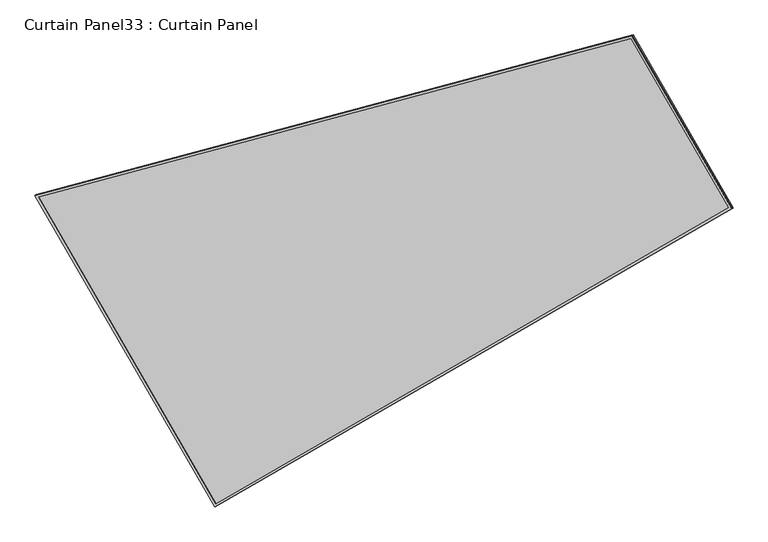
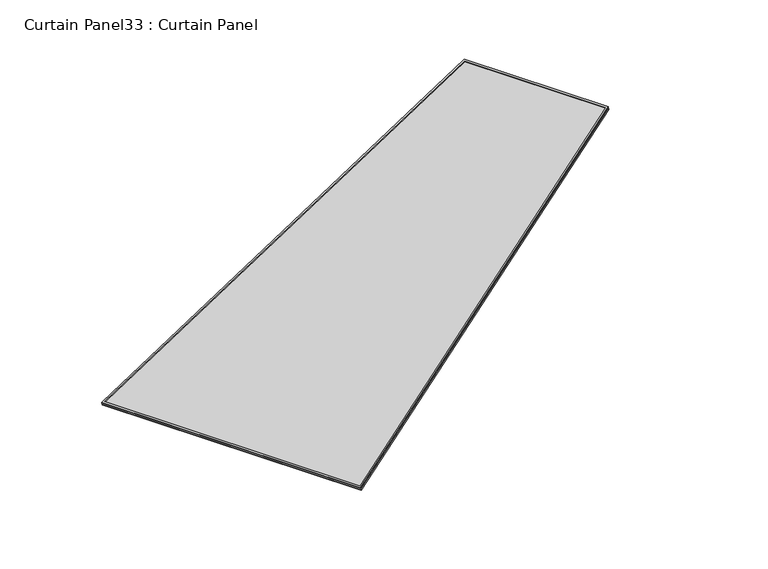
"""IFC4 building model written with IfcOpenShell, lengths in millimetres: plate geometry, Curtain Panel33 : Curtain Panel."""

from ifc_helpers import new_model, si_unit, frame, origin, place, context, project, spatial, polyline, outline, extrude, source, transform, mapped, element, save


def curtain_panel33_curtain_panel_60583c31(model_context):
    return source(origin(), model_context, "Body", "SweptSolid", [
        extrude(outline(polyline([(903.4000632, -2842.2762639), (0.0, -2842.2762639), (0.0, 0.0), (1625.924429, 0.0), (903.4000632, -2842.2762639)]), holes=[polyline([(1611.6336331, -11.1124999), (11.1125, -11.1125), (11.1125, -2831.1637639), (894.759001, -2831.1637639), (1611.6336331, -11.1124999)])]), frame((3727.297446, -2597.5109041, -9.1531527), z_axis=(-0.27379031486168043, -0.15807291198690118, 0.9487106081329141), x_axis=(-0.4999999999999943, 0.8660254037844419, 0.0)), (0.0, 0.0, 1.0), 4.8426059),
        extrude(outline(polyline([(903.4000632, -2842.276264), (0.0, -2842.276264), (0.0, 0.0), (1625.924429, 0.0), (903.4000632, -2842.276264)]), holes=[polyline([(1611.6336331, -11.1124999), (11.1125001, -11.1125), (11.1125001, -2831.163764), (894.759001, -2831.163764), (1611.6336331, -11.1124999)])]), frame((3732.1233309, -2594.7246782, -25.8753228), z_axis=(-0.27379031486168726, -0.15807291198690504, 0.9487106081329113), x_axis=(-0.4999999999999941, 0.8660254037844421, 0.0)), (0.0, 0.0, 1.0), 4.8220694),
        extrude(outline(polyline([(-596.6683727, 0.0), (1029.2560562, 0.0), (306.7316904, -2842.276264), (-596.6683728, -2842.276264), (-596.6683727, 0.0)])), frame((3432.4689086, -2078.7569483, -21.3005745), z_axis=(-0.2737903148616803, -0.15807291198690104, 0.9487106081329141), x_axis=(-0.499999999999994, 0.8660254037844421, 0.0)), (0.0, 0.0, 1.0), 12.8041382),
    ])


if __name__ == "__main__":
    model = new_model("IFC4")
    model_context = context("Model", 3, world=origin())
    ifc_project = project(units=[si_unit("LENGTHUNIT", "METRE", prefix="MILLI")], contexts=[model_context])
    site = spatial("IfcSite", under=ifc_project)
    building = spatial("IfcBuilding", under=site)
    placement = place(None, origin())
    curtain_panel33_curtain_panel_shape = curtain_panel33_curtain_panel_60583c31(model_context)
    element("IfcPlate", 1, ObjectType="Curtain Panel33 : Curtain Panel", at=placement, inside=building, context=model_context, shape_type="MappedRepresentation", body=[
        mapped(curtain_panel33_curtain_panel_shape, transform((0.0, 0.0, 0.0), x_axis=(1.0, 0.0, 0.0), y_axis=(0.0, 1.0, 0.0), z_axis=(0.0, 0.0, 1.0))),
    ])
    save(model, "model.ifc")
